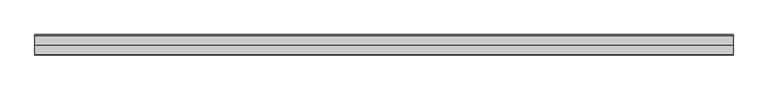
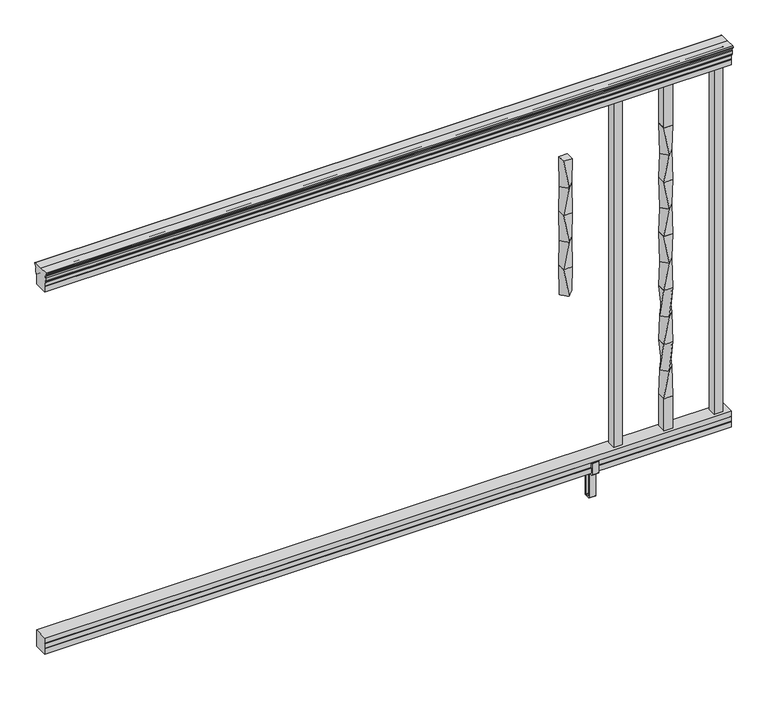
"""IFC4 building model written with IfcOpenShell, lengths in millimetres: railing geometry."""

from ifc_helpers import new_model, si_unit, frame, origin, place, context, project, spatial, polyline, circle_curve, outline, extrude, faceted_brep, source, transform, mapped, element, save
from ifc_brep_helpers import plane_surface, cylinder_surface, revolved_surface, spline_surface, advanced_brep


def railing_d81362e7(model_context):
    return source(origin(), model_context, "Body", "SolidModel", [
        advanced_brep(
        [(14131.8060044, -60567.3992427, 938.4043297), (14131.8060044, -60567.3992427, 940.292412), (14131.8060044, -60568.529429, 941.8546695), (14131.8060044, -60568.529429, 949.0726458), (14131.8060044, -60567.8801726, 951.5060812), (14131.8060044, -60570.3801726, 955.8362083), (14131.8060044, -60571.7895151, 957.5157972), (14131.8060044, -60572.1914141, 958.6205318), (14131.8060044, -60572.191414, 959.9608158), (14131.8060044, -60570.6379668, 961.514263), (14131.8060044, -60549.966414, 961.514263), (14131.8060044, -60529.2948612, 961.514263), (14131.8060044, -60527.741414, 959.9608158), (14131.8060044, -60527.741414, 958.6205318), (14131.8060044, -60528.1433129, 957.5157972), (14131.8060044, -60529.5526554, 955.8362083), (14131.8060044, -60532.0526554, 951.5060812), (14131.8060044, -60531.403399, 949.0726458), (14131.8060044, -60531.403399, 941.8546695), (14131.8060044, -60532.5335853, 940.292412), (14131.8060044, -60532.5335853, 938.4043297), (14131.8060044, -60535.107414, 938.4043297), (14131.8060044, -60535.107414, 927.9048283), (14131.8060044, -60534.091414, 926.8888283), (14131.8060044, -60534.091414, 914.4), (14131.8060044, -60565.841414, 914.4), (14131.8060044, -60565.841414, 926.731013), (14131.8060044, -60564.825414, 927.747013), (14131.8060044, -60564.825414, 938.4043297), (15655.8060044, -60567.3992427, 938.4043297), (15655.8060044, -60564.825414, 938.4043297), (15655.8060044, -60564.825414, 927.747013), (15655.8060044, -60565.841414, 926.731013), (15655.8060044, -60565.841414, 914.4), (15655.8060044, -60534.091414, 914.4), (15655.8060044, -60534.091414, 926.8888283), (15655.8060044, -60535.107414, 927.9048283), (15655.8060044, -60535.107414, 938.4043297), (15655.8060044, -60532.5335853, 938.4043297), (15655.8060044, -60532.5335853, 940.292412), (15655.8060044, -60531.403399, 941.8546695), (15655.8060044, -60531.403399, 949.0726458), (15655.8060044, -60532.0526554, 951.5060812), (15655.8060044, -60529.5526554, 955.8362083), (15655.8060044, -60528.1433129, 957.5157972), (15655.8060044, -60527.7414139, 958.6205318), (15655.8060044, -60527.741414, 959.9608158), (15655.8060044, -60529.2948612, 961.514263), (15655.8060044, -60549.966414, 961.514263), (15655.8060044, -60570.6379668, 961.514263), (15655.8060044, -60572.191414, 959.9608158), (15655.8060044, -60572.191414, 958.6205318), (15655.8060044, -60571.7895151, 957.5157972), (15655.8060044, -60570.3801726, 955.8362083), (15655.8060044, -60567.8801726, 951.5060812), (15655.8060044, -60568.529429, 949.0726458), (15655.8060044, -60568.529429, 941.8546695), (15655.8060044, -60567.3992427, 940.292412)],
        [
            (0, 1),
            (1, 2, circle_curve(frame((14131.8060044, -60561.0844895, 946.0506383), z_axis=(-1.0, 0.0, 0.0), x_axis=(0.0, 1.0, 0.0)), 8.545951)),
            (2, 3, circle_curve(frame((14131.8060044, -60561.5215524, 945.4636577), z_axis=(-1.0, 0.0, 0.0), x_axis=(0.0, 1.0, 0.0)), 7.882584)),
            (3, 4, circle_curve(frame((14131.8060044, -60572.0348766, 951.3112527), z_axis=(1.0, 0.0, 0.0), x_axis=(0.0, 1.0, 0.0)), 4.1592695)),
            (4, 5, circle_curve(frame((14131.8060044, -60573.3221831, 951.2508864), z_axis=(1.0, 0.0, 0.0), x_axis=(0.0, 1.0, 0.0)), 5.4479907)),
            (5, 6, circle_curve(frame((14131.8060044, -60572.0890247, 955.833395), z_axis=(1.0, 0.0, 0.0), x_axis=(0.0, 1.0, 0.0)), 1.7088543)),
            (6, 7, circle_curve(frame((14131.8060044, -60570.4721246, 958.6205318), z_axis=(-1.0, 0.0, 0.0), x_axis=(0.0, 1.0, 0.0)), 1.7192895)),
            (7, 8),
            (8, 9, circle_curve(frame((14131.8060044, -60570.6379668, 959.9608158), z_axis=(-1.0, 0.0, 0.0), x_axis=(0.0, 1.0, 0.0)), 1.5534472)),
            (9, 10),
            (10, 11),
            (11, 12, circle_curve(frame((14131.8060044, -60529.2948612, 959.9608158), z_axis=(-1.0, 0.0, 0.0), x_axis=(0.0, -1.0, 0.0)), 1.5534472)),
            (12, 13),
            (13, 14, circle_curve(frame((14131.8060044, -60529.4607034, 958.6205318), z_axis=(-1.0, 0.0, 0.0), x_axis=(0.0, -1.0, 0.0)), 1.7192895)),
            (14, 15, circle_curve(frame((14131.8060044, -60527.8438033, 955.833395), z_axis=(1.0, 0.0, 0.0), x_axis=(0.0, -1.0, 0.0)), 1.7088543)),
            (15, 16, circle_curve(frame((14131.8060044, -60526.6106449, 951.2508864), z_axis=(1.0, 0.0, 0.0), x_axis=(0.0, -1.0, 0.0)), 5.4479907)),
            (16, 17, circle_curve(frame((14131.8060044, -60527.8979515, 951.3112527), z_axis=(1.0, 0.0, 0.0), x_axis=(0.0, -1.0, 0.0)), 4.1592695)),
            (17, 18, circle_curve(frame((14131.8060044, -60538.4112756, 945.4636577), z_axis=(-1.0, 0.0, 0.0), x_axis=(0.0, -1.0, 0.0)), 7.882584)),
            (18, 19, circle_curve(frame((14131.8060044, -60538.8483386, 946.0506383), z_axis=(-1.0, 0.0, 0.0), x_axis=(0.0, -1.0, 0.0)), 8.545951)),
            (19, 20),
            (20, 21, circle_curve(frame((14131.8060044, -60533.8204996, 938.4043297), z_axis=(-1.0, 0.0, 0.0), x_axis=(0.0, -1.0, 0.0)), 1.2869144)),
            (21, 22),
            (22, 23),
            (23, 24),
            (24, 25),
            (25, 26),
            (26, 27),
            (27, 28),
            (28, 0, circle_curve(frame((14131.8060044, -60566.1123284, 938.4043297), z_axis=(-1.0, 0.0, 0.0), x_axis=(0.0, 1.0, 0.0)), 1.2869144)),
            (29, 30, circle_curve(frame((15655.8060044, -60566.1123284, 938.4043297), z_axis=(1.0, 0.0, 0.0), x_axis=(0.0, 1.0, 0.0)), 1.2869144)),
            (30, 31),
            (31, 32),
            (32, 33),
            (33, 34),
            (34, 35),
            (35, 36),
            (36, 37),
            (37, 38, circle_curve(frame((15655.8060044, -60533.8204996, 938.4043297), z_axis=(1.0, 0.0, 0.0), x_axis=(0.0, -1.0, 0.0)), 1.2869144)),
            (38, 39),
            (39, 40, circle_curve(frame((15655.8060044, -60538.8483386, 946.0506383), z_axis=(1.0, 0.0, 0.0), x_axis=(0.0, -1.0, 0.0)), 8.545951)),
            (40, 41, circle_curve(frame((15655.8060044, -60538.4112756, 945.4636577), z_axis=(1.0, 0.0, 0.0), x_axis=(0.0, -1.0, 0.0)), 7.882584)),
            (41, 42, circle_curve(frame((15655.8060044, -60527.8979515, 951.3112527), z_axis=(-1.0, 0.0, 0.0), x_axis=(0.0, -1.0, 0.0)), 4.1592695)),
            (42, 43, circle_curve(frame((15655.8060044, -60526.6106449, 951.2508864), z_axis=(-1.0, 0.0, 0.0), x_axis=(0.0, -1.0, 0.0)), 5.4479907)),
            (43, 44, circle_curve(frame((15655.8060044, -60527.8438033, 955.833395), z_axis=(-1.0, 0.0, 0.0), x_axis=(0.0, -1.0, 0.0)), 1.7088543)),
            (44, 45, circle_curve(frame((15655.8060044, -60529.4607034, 958.6205318), z_axis=(1.0, 0.0, 0.0), x_axis=(0.0, -1.0, 0.0)), 1.7192895)),
            (45, 46),
            (46, 47, circle_curve(frame((15655.8060044, -60529.2948612, 959.9608158), z_axis=(1.0, 0.0, 0.0), x_axis=(0.0, -1.0, 0.0)), 1.5534472)),
            (47, 48),
            (48, 49),
            (49, 50, circle_curve(frame((15655.8060044, -60570.6379668, 959.9608158), z_axis=(1.0, 0.0, 0.0), x_axis=(0.0, 1.0, 0.0)), 1.5534472)),
            (50, 51),
            (51, 52, circle_curve(frame((15655.8060044, -60570.4721246, 958.6205318), z_axis=(1.0, 0.0, 0.0), x_axis=(0.0, 1.0, 0.0)), 1.7192895)),
            (52, 53, circle_curve(frame((15655.8060044, -60572.0890247, 955.833395), z_axis=(-1.0, 0.0, 0.0), x_axis=(0.0, 1.0, 0.0)), 1.7088543)),
            (53, 54, circle_curve(frame((15655.8060044, -60573.3221831, 951.2508864), z_axis=(-1.0, 0.0, 0.0), x_axis=(0.0, 1.0, 0.0)), 5.4479907)),
            (54, 55, circle_curve(frame((15655.8060044, -60572.0348766, 951.3112527), z_axis=(-1.0, 0.0, 0.0), x_axis=(0.0, 1.0, 0.0)), 4.1592695)),
            (55, 56, circle_curve(frame((15655.8060044, -60561.5215524, 945.4636577), z_axis=(1.0, 0.0, 0.0), x_axis=(0.0, 1.0, 0.0)), 7.882584)),
            (56, 57, circle_curve(frame((15655.8060044, -60561.0844895, 946.0506383), z_axis=(1.0, 0.0, 0.0), x_axis=(0.0, 1.0, 0.0)), 8.545951)),
            (57, 29),
            (28, 30),
            (29, 0),
            (27, 31),
            (26, 32),
            (25, 33),
            (24, 34),
            (23, 35),
            (22, 36),
            (21, 37),
            (20, 38),
            (19, 39),
            (18, 40),
            (17, 41),
            (16, 42),
            (15, 43),
            (14, 44),
            (13, 45),
            (12, 46),
            (11, 47),
            (10, 48),
            (9, 49),
            (8, 50),
            (7, 51),
            (6, 52),
            (5, 53),
            (4, 54),
            (3, 55),
            (2, 56),
            (1, 57),
        ],
        [
            plane_surface(frame((14131.8060044, -60549.966414, 914.4), z_axis=(-1.0, 0.0, 0.0), x_axis=(0.0, 1.0, 0.0))),
            plane_surface(frame((15655.8060044, -60549.966414, 914.4), z_axis=(1.0, 0.0, 0.0), x_axis=(0.0, 1.0, 0.0))),
            cylinder_surface(frame((14131.8060044, -60566.1123284, 938.4043297), z_axis=(-1.0, 0.0, 0.0), x_axis=(0.0, 1.0, 0.0)), 1.2869144),
            plane_surface(frame((14131.8060044, -60564.825414, 927.747013), z_axis=(0.0, -1.0, 0.0), x_axis=(1.0, 0.0, 0.0))),
            plane_surface(frame((14131.8060044, -60565.841414, 926.731013), z_axis=(0.0, -0.7071067811865395, 0.7071067811865556), x_axis=(1.0, 0.0, 0.0))),
            plane_surface(frame((14131.8060044, -60565.841414, 914.4), z_axis=(0.0, -1.0, 0.0), x_axis=(1.0, 0.0, 0.0))),
            plane_surface(frame((14131.8060044, -60534.091414, 914.4), z_axis=(0.0, 0.0, -1.0), x_axis=(1.0, 0.0, 0.0))),
            plane_surface(frame((14131.8060044, -60534.091414, 926.8888283), z_axis=(0.0, 1.0, 0.0), x_axis=(1.0, 0.0, 0.0))),
            plane_surface(frame((14131.8060044, -60535.107414, 927.9048283), z_axis=(0.0, 0.7071067811865432, 0.707106781186552), x_axis=(1.0, 0.0, 0.0))),
            plane_surface(frame((14131.8060044, -60535.107414, 938.4043297), z_axis=(0.0, 1.0, 0.0), x_axis=(1.0, 0.0, 0.0))),
            cylinder_surface(frame((14131.8060044, -60533.8204996, 938.4043297), z_axis=(-1.0, 0.0, 0.0), x_axis=(0.0, -1.0, 0.0)), 1.2869144),
            plane_surface(frame((14131.8060044, -60532.5335853, 940.292412), z_axis=(0.0, 1.0, 0.0), x_axis=(1.0, 0.0, 0.0))),
            cylinder_surface(frame((14131.8060044, -60538.8483386, 946.0506383), z_axis=(-1.0, 0.0, 0.0), x_axis=(0.0, -1.0, 0.0)), 8.545951),
            cylinder_surface(frame((14131.8060044, -60538.4112756, 945.4636577), z_axis=(-1.0, 0.0, 0.0), x_axis=(0.0, -1.0, 0.0)), 7.882584),
            revolved_surface(polyline([(15655.8060044, -60532.057221, 951.3112527), (14131.8060044, -60532.057221, 951.3112527)]), (14131.8060044, -60527.8979515, 951.3112527), (1.0, 0.0, 0.0)),
            revolved_surface(polyline([(15655.8060044, -60532.0586356, 951.2508864), (14131.8060044, -60532.0586356, 951.2508864)]), (14131.8060044, -60526.6106449, 951.2508864), (1.0, 0.0, 0.0)),
            revolved_surface(polyline([(15655.8060044, -60529.5526576, 955.833395), (14131.8060044, -60529.5526576, 955.833395)]), (14131.8060044, -60527.8438033, 955.833395), (1.0, 0.0, 0.0)),
            cylinder_surface(frame((14131.8060044, -60529.4607034, 958.6205318), z_axis=(-1.0, 0.0, 0.0), x_axis=(0.0, -1.0, 0.0)), 1.7192895),
            plane_surface(frame((14131.8060044, -60527.741414, 959.9608158), z_axis=(0.0, 1.0, 0.0), x_axis=(1.0, 0.0, 0.0))),
            cylinder_surface(frame((14131.8060044, -60529.2948612, 959.9608158), z_axis=(-1.0, 0.0, 0.0), x_axis=(0.0, -1.0, 0.0)), 1.5534472),
            plane_surface(frame((14131.8060044, -60549.966414, 961.514263), z_axis=(0.0, 0.0, 1.0), x_axis=(1.0, 0.0, 0.0))),
            plane_surface(frame((14131.8060044, -60570.6379668, 961.514263), z_axis=(0.0, 0.0, 1.0), x_axis=(1.0, 0.0, 0.0))),
            cylinder_surface(frame((14131.8060044, -60570.6379668, 959.9608158), z_axis=(-1.0, 0.0, 0.0), x_axis=(0.0, 1.0, 0.0)), 1.5534472),
            plane_surface(frame((14131.8060044, -60572.191414, 958.6205318), z_axis=(0.0, -1.0, 0.0), x_axis=(1.0, 0.0, 0.0))),
            cylinder_surface(frame((14131.8060044, -60570.4721246, 958.6205318), z_axis=(-1.0, 0.0, 0.0), x_axis=(0.0, 1.0, 0.0)), 1.7192895),
            revolved_surface(polyline([(15655.8060044, -60570.3801704, 955.833395), (14131.8060044, -60570.3801704, 955.833395)]), (14131.8060044, -60572.0890247, 955.833395), (1.0, 0.0, 0.0)),
            revolved_surface(polyline([(15655.8060044, -60567.8741924, 951.2508864), (14131.8060044, -60567.8741924, 951.2508864)]), (14131.8060044, -60573.3221831, 951.2508864), (1.0, 0.0, 0.0)),
            revolved_surface(polyline([(15655.8060044, -60567.8756071, 951.3112527), (14131.8060044, -60567.8756071, 951.3112527)]), (14131.8060044, -60572.0348766, 951.3112527), (1.0, 0.0, 0.0)),
            cylinder_surface(frame((14131.8060044, -60561.5215524, 945.4636577), z_axis=(-1.0, 0.0, 0.0), x_axis=(0.0, 1.0, 0.0)), 7.882584),
            cylinder_surface(frame((14131.8060044, -60561.0844895, 946.0506383), z_axis=(-1.0, 0.0, 0.0), x_axis=(0.0, 1.0, 0.0)), 8.545951),
            plane_surface(frame((14131.8060044, -60567.3992427, 938.4043297), z_axis=(0.0, -1.0, 0.0), x_axis=(1.0, 0.0, 0.0))),
        ],
        [
            (0, [[1, 2, 3, 4, 5, 6, 7, 8, 9, 10, 11, 12, 13, 14, 15, 16, 17, 18, 19, 20, 21, 22, 23, 24, 25, 26, 27, 28, 29]]),
            (1, [[30, 31, 32, 33, 34, 35, 36, 37, 38, 39, 40, 41, 42, 43, 44, 45, 46, 47, 48, 49, 50, 51, 52, 53, 54, 55, 56, 57, 58]]),
            (2, [[-29, 59, -30, 60]]),
            (3, [[-28, 61, -31, -59]]),
            (4, [[-27, 62, -32, -61]]),
            (5, [[-26, 63, -33, -62]]),
            (6, [[-25, 64, -34, -63]]),
            (7, [[-24, 65, -35, -64]]),
            (8, [[-23, 66, -36, -65]]),
            (9, [[-22, 67, -37, -66]]),
            (10, [[-21, 68, -38, -67]]),
            (11, [[-20, 69, -39, -68]]),
            (12, [[-19, 70, -40, -69]]),
            (13, [[-18, 71, -41, -70]]),
            (14, [[-17, 72, -42, -71]]),
            (15, [[-16, 73, -43, -72]]),
            (16, [[-15, 74, -44, -73]]),
            (17, [[-14, 75, -45, -74]]),
            (18, [[-13, 76, -46, -75]]),
            (19, [[-12, 77, -47, -76]]),
            (20, [[-11, 78, -48, -77]]),
            (21, [[-10, 79, -49, -78]]),
            (22, [[-9, 80, -50, -79]]),
            (23, [[-8, 81, -51, -80]]),
            (24, [[-7, 82, -52, -81]]),
            (25, [[-6, 83, -53, -82]]),
            (26, [[-5, 84, -54, -83]]),
            (27, [[-4, 85, -55, -84]]),
            (28, [[-3, 86, -56, -85]]),
            (29, [[-2, 87, -57, -86]]),
            (30, [[-1, -60, -58, -87]]),
        ],
    ),
        faceted_brep([(14131.8060044, -60565.8789009, 76.0541976), (14131.8060044, -60564.8629009, 77.3546183), (14131.8060044, -60564.8629009, 87.7141717), (14131.8060044, -60565.8789009, 89.0624492), (14131.8060044, -60565.8789009, 101.5958781), (14131.8060044, -60534.1289009, 101.5958781), (14131.8060044, -60534.1289009, 89.0458024), (14131.8060044, -60535.1449009, 87.6975248), (14131.8060044, -60535.1449009, 77.3858283), (14131.8060044, -60534.1289009, 76.0375508), (14131.8060044, -60534.1289009, 63.5), (14131.8060044, -60565.8789009, 63.5), (15655.8060044, -60565.8789009, 76.0541976), (15655.8060044, -60565.8789009, 63.5), (15655.8060044, -60534.1289009, 63.5), (15655.8060044, -60534.1289009, 76.0375508), (15655.8060044, -60535.1449009, 77.3858283), (15655.8060044, -60535.1449009, 87.6975248), (15655.8060044, -60534.1289009, 89.0458024), (15655.8060044, -60534.1289009, 101.5958781), (15655.8060044, -60565.8789009, 101.5958781), (15655.8060044, -60565.8789009, 89.0624492), (15655.8060044, -60564.8629009, 87.7141717), (15655.8060044, -60564.8629009, 77.3546183)], [[[0, 1, 2, 3, 4, 5, 6, 7, 8, 9, 10, 11]], [[12, 13, 14, 15, 16, 17, 18, 19, 20, 21, 22, 23]], [[0, 11, 13, 12]], [[11, 10, 14, 13]], [[10, 9, 15, 14]], [[9, 8, 16, 15]], [[8, 7, 17, 16]], [[7, 6, 18, 17]], [[6, 5, 19, 18]], [[5, 4, 20, 19]], [[4, 3, 21, 20]], [[3, 2, 22, 21]], [[2, 1, 23, 22]], [[1, 0, 12, 23]]]),
        extrude(outline(polyline([(15620.8810044, -60559.491414), (15620.8810044, -60540.441414), (15639.9310044, -60540.441414), (15639.9310044, -60559.491414), (15620.8810044, -60559.491414)]), holes=[polyline([(15621.2778794, -60559.094539), (15639.5341294, -60559.094539), (15639.5341294, -60540.838289), (15621.2778794, -60540.838289), (15621.2778794, -60559.094539)])]), frame((0.0, 0.0, 101.5958781), z_axis=(0.0, 0.0, 1.0), x_axis=(1.0, 0.0, 0.0)), (0.0, 0.0, 1.0), 812.8041219),
        advanced_brep(
        [(15528.6790044, -60559.491414, 812.7958781), (15528.6790044, -60540.441414, 812.7958781), (15509.6290044, -60540.441414, 812.7958781), (15509.6290044, -60559.491414, 812.7958781), (15532.6243886, -60549.966414, 749.2958781), (15519.1540044, -60563.4367982, 749.2958781), (15505.6836203, -60549.966414, 749.2958781), (15519.1540044, -60536.4960298, 749.2958781)],
        [
            (0, 1),
            (1, 2),
            (2, 3),
            (3, 0),
            (4, 5),
            (5, 6),
            (6, 7),
            (7, 4),
            (4, 0),
            (3, 5),
            (2, 6),
            (1, 7),
        ],
        [
            plane_surface(frame((15519.1540044, -60549.966414, 812.7958781), z_axis=(0.0, 0.0, 1.0), x_axis=(0.0, 1.0, 0.0))),
            plane_surface(frame((15519.1540044, -60549.966414, 749.2958781), z_axis=(0.0, 0.0, -1.0), x_axis=(0.0, 1.0, 0.0))),
            spline_surface(1, 1, [[(15532.6243886, -60549.966414, 749.2958781), (15519.1540044, -60563.4367982, 749.2958781)], [(15528.6790044, -60559.491414, 812.7958781), (15509.6290044, -60559.491414, 812.7958781)]], [2, 2], [2, 2], [0.0, 1.0], [0.0, 1.0]),
            spline_surface(1, 1, [[(15519.1540044, -60563.4367982, 749.2958781), (15505.6836203, -60549.966414, 749.2958781)], [(15509.6290044, -60559.491414, 812.7958781), (15509.6290044, -60540.441414, 812.7958781)]], [2, 2], [2, 2], [0.0, 1.0], [0.0, 1.0]),
            spline_surface(1, 1, [[(15505.6836203, -60549.966414, 749.2958781), (15519.1540044, -60536.4960298, 749.2958781)], [(15509.6290044, -60540.441414, 812.7958781), (15528.6790044, -60540.441414, 812.7958781)]], [2, 2], [2, 2], [0.0, 1.0], [0.0, 1.0]),
            spline_surface(1, 1, [[(15519.1540044, -60536.4960298, 749.2958781), (15532.6243886, -60549.966414, 749.2958781)], [(15528.6790044, -60540.441414, 812.7958781), (15528.6790044, -60559.491414, 812.7958781)]], [2, 2], [2, 2], [0.0, 1.0], [0.0, 1.0]),
        ],
        [
            (0, [[1, 2, 3, 4]]),
            (1, [[5, 6, 7, 8]]),
            (2, [[9, -4, 10, -5]]),
            (3, [[-10, -3, 11, -6]]),
            (4, [[-11, -2, 12, -7]]),
            (5, [[-12, -1, -9, -8]]),
        ],
    ),
        advanced_brep(
        [(15519.1540044, -60563.4367982, 749.2958781), (15532.6243886, -60549.966414, 749.2958781), (15519.1540044, -60536.4960298, 749.2958781), (15505.6836203, -60549.966414, 749.2958781), (15509.6290044, -60559.491414, 685.7958781), (15509.6290044, -60540.441414, 685.7958781), (15528.6790044, -60540.441414, 685.7958781), (15528.6790044, -60559.491414, 685.7958781)],
        [
            (0, 1),
            (1, 2),
            (2, 3),
            (3, 0),
            (4, 5),
            (5, 6),
            (6, 7),
            (7, 4),
            (4, 0),
            (3, 5),
            (2, 6),
            (1, 7),
        ],
        [
            plane_surface(frame((15519.1540044, -60549.966414, 749.2958781), z_axis=(0.0, 0.0, 1.0), x_axis=(-0.7071067811865477, -0.7071067811865474, 0.0))),
            plane_surface(frame((15519.1540044, -60549.966414, 685.7958781), z_axis=(0.0, 0.0, -1.0), x_axis=(-0.7071067811865477, -0.7071067811865474, 0.0))),
            spline_surface(1, 1, [[(15509.6290044, -60559.491414, 685.7958781), (15509.6290044, -60540.441414, 685.7958781)], [(15519.1540044, -60563.4367982, 749.2958781), (15505.6836203, -60549.966414, 749.2958781)]], [2, 2], [2, 2], [0.0, 1.0], [0.0, 1.0]),
            spline_surface(1, 1, [[(15509.6290044, -60540.441414, 685.7958781), (15528.6790044, -60540.441414, 685.7958781)], [(15505.6836203, -60549.966414, 749.2958781), (15519.1540044, -60536.4960298, 749.2958781)]], [2, 2], [2, 2], [0.0, 1.0], [0.0, 1.0]),
            spline_surface(1, 1, [[(15528.6790044, -60540.441414, 685.7958781), (15528.6790044, -60559.491414, 685.7958781)], [(15519.1540044, -60536.4960298, 749.2958781), (15532.6243886, -60549.966414, 749.2958781)]], [2, 2], [2, 2], [0.0, 1.0], [0.0, 1.0]),
            spline_surface(1, 1, [[(15528.6790044, -60559.491414, 685.7958781), (15509.6290044, -60559.491414, 685.7958781)], [(15532.6243886, -60549.966414, 749.2958781), (15519.1540044, -60563.4367982, 749.2958781)]], [2, 2], [2, 2], [0.0, 1.0], [0.0, 1.0]),
        ],
        [
            (0, [[1, 2, 3, 4]]),
            (1, [[5, 6, 7, 8]]),
            (2, [[9, -4, 10, -5]]),
            (3, [[-10, -3, 11, -6]]),
            (4, [[-11, -2, 12, -7]]),
            (5, [[-12, -1, -9, -8]]),
        ],
    ),
        advanced_brep(
        [(15528.6790044, -60559.491414, 685.7958781), (15528.6790044, -60540.441414, 685.7958781), (15509.6290044, -60540.441414, 685.7958781), (15509.6290044, -60559.491414, 685.7958781), (15532.6243886, -60549.966414, 622.2958781), (15519.1540044, -60563.4367982, 622.2958781), (15505.6836203, -60549.966414, 622.2958781), (15519.1540044, -60536.4960298, 622.2958781)],
        [
            (0, 1),
            (1, 2),
            (2, 3),
            (3, 0),
            (4, 5),
            (5, 6),
            (6, 7),
            (7, 4),
            (4, 0),
            (3, 5),
            (2, 6),
            (1, 7),
        ],
        [
            plane_surface(frame((15519.1540044, -60549.966414, 685.7958781), z_axis=(0.0, 0.0, 1.0), x_axis=(0.0, 1.0, 0.0))),
            plane_surface(frame((15519.1540044, -60549.966414, 622.2958781), z_axis=(0.0, 0.0, -1.0), x_axis=(0.0, 1.0, 0.0))),
            spline_surface(1, 1, [[(15532.6243886, -60549.966414, 622.2958781), (15519.1540044, -60563.4367982, 622.2958781)], [(15528.6790044, -60559.491414, 685.7958781), (15509.6290044, -60559.491414, 685.7958781)]], [2, 2], [2, 2], [0.0, 1.0], [0.0, 1.0]),
            spline_surface(1, 1, [[(15519.1540044, -60563.4367982, 622.2958781), (15505.6836203, -60549.966414, 622.2958781)], [(15509.6290044, -60559.491414, 685.7958781), (15509.6290044, -60540.441414, 685.7958781)]], [2, 2], [2, 2], [0.0, 1.0], [0.0, 1.0]),
            spline_surface(1, 1, [[(15505.6836203, -60549.966414, 622.2958781), (15519.1540044, -60536.4960298, 622.2958781)], [(15509.6290044, -60540.441414, 685.7958781), (15528.6790044, -60540.441414, 685.7958781)]], [2, 2], [2, 2], [0.0, 1.0], [0.0, 1.0]),
            spline_surface(1, 1, [[(15519.1540044, -60536.4960298, 622.2958781), (15532.6243886, -60549.966414, 622.2958781)], [(15528.6790044, -60540.441414, 685.7958781), (15528.6790044, -60559.491414, 685.7958781)]], [2, 2], [2, 2], [0.0, 1.0], [0.0, 1.0]),
        ],
        [
            (0, [[1, 2, 3, 4]]),
            (1, [[5, 6, 7, 8]]),
            (2, [[9, -4, 10, -5]]),
            (3, [[-10, -3, 11, -6]]),
            (4, [[-11, -2, 12, -7]]),
            (5, [[-12, -1, -9, -8]]),
        ],
    ),
        advanced_brep(
        [(15519.1540044, -60563.4367982, 622.2958781), (15532.6243886, -60549.966414, 622.2958781), (15519.1540044, -60536.4960298, 622.2958781), (15505.6836203, -60549.966414, 622.2958781), (15509.6290044, -60559.491414, 558.7958781), (15509.6290044, -60540.441414, 558.7958781), (15528.6790044, -60540.441414, 558.7958781), (15528.6790044, -60559.491414, 558.7958781)],
        [
            (0, 1),
            (1, 2),
            (2, 3),
            (3, 0),
            (4, 5),
            (5, 6),
            (6, 7),
            (7, 4),
            (4, 0),
            (3, 5),
            (2, 6),
            (1, 7),
        ],
        [
            plane_surface(frame((15519.1540044, -60549.966414, 622.2958781), z_axis=(0.0, 0.0, 1.0), x_axis=(-0.7071067811865477, -0.7071067811865475, 0.0))),
            plane_surface(frame((15519.1540044, -60549.966414, 558.7958781), z_axis=(0.0, 0.0, -1.0), x_axis=(-0.7071067811865477, -0.7071067811865475, 0.0))),
            spline_surface(1, 1, [[(15509.6290044, -60559.491414, 558.7958781), (15509.6290044, -60540.441414, 558.7958781)], [(15519.1540044, -60563.4367982, 622.2958781), (15505.6836203, -60549.966414, 622.2958781)]], [2, 2], [2, 2], [0.0, 1.0], [0.0, 1.0]),
            spline_surface(1, 1, [[(15509.6290044, -60540.441414, 558.7958781), (15528.6790044, -60540.441414, 558.7958781)], [(15505.6836203, -60549.966414, 622.2958781), (15519.1540044, -60536.4960298, 622.2958781)]], [2, 2], [2, 2], [0.0, 1.0], [0.0, 1.0]),
            spline_surface(1, 1, [[(15528.6790044, -60540.441414, 558.7958781), (15528.6790044, -60559.491414, 558.7958781)], [(15519.1540044, -60536.4960298, 622.2958781), (15532.6243886, -60549.966414, 622.2958781)]], [2, 2], [2, 2], [0.0, 1.0], [0.0, 1.0]),
            spline_surface(1, 1, [[(15528.6790044, -60559.491414, 558.7958781), (15509.6290044, -60559.491414, 558.7958781)], [(15532.6243886, -60549.966414, 622.2958781), (15519.1540044, -60563.4367982, 622.2958781)]], [2, 2], [2, 2], [0.0, 1.0], [0.0, 1.0]),
        ],
        [
            (0, [[1, 2, 3, 4]]),
            (1, [[5, 6, 7, 8]]),
            (2, [[9, -4, 10, -5]]),
            (3, [[-10, -3, 11, -6]]),
            (4, [[-11, -2, 12, -7]]),
            (5, [[-12, -1, -9, -8]]),
        ],
    ),
        advanced_brep(
        [(15528.6790044, -60559.491414, 558.7958781), (15528.6790044, -60540.441414, 558.7958781), (15509.6290044, -60540.441414, 558.7958781), (15509.6290044, -60559.491414, 558.7958781), (15532.6243886, -60549.966414, 495.2958781), (15519.1540044, -60563.4367982, 495.2958781), (15505.6836203, -60549.966414, 495.2958781), (15519.1540044, -60536.4960298, 495.2958781)],
        [
            (0, 1),
            (1, 2),
            (2, 3),
            (3, 0),
            (4, 5),
            (5, 6),
            (6, 7),
            (7, 4),
            (4, 0),
            (3, 5),
            (2, 6),
            (1, 7),
        ],
        [
            plane_surface(frame((15519.1540044, -60549.966414, 558.7958781), z_axis=(0.0, 0.0, 1.0), x_axis=(0.0, 1.0, 0.0))),
            plane_surface(frame((15519.1540044, -60549.966414, 495.2958781), z_axis=(0.0, 0.0, -1.0), x_axis=(0.0, 1.0, 0.0))),
            spline_surface(1, 1, [[(15532.6243886, -60549.966414, 495.2958781), (15519.1540044, -60563.4367982, 495.2958781)], [(15528.6790044, -60559.491414, 558.7958781), (15509.6290044, -60559.491414, 558.7958781)]], [2, 2], [2, 2], [0.0, 1.0], [0.0, 1.0]),
            spline_surface(1, 1, [[(15519.1540044, -60563.4367982, 495.2958781), (15505.6836203, -60549.966414, 495.2958781)], [(15509.6290044, -60559.491414, 558.7958781), (15509.6290044, -60540.441414, 558.7958781)]], [2, 2], [2, 2], [0.0, 1.0], [0.0, 1.0]),
            spline_surface(1, 1, [[(15505.6836203, -60549.966414, 495.2958781), (15519.1540044, -60536.4960298, 495.2958781)], [(15509.6290044, -60540.441414, 558.7958781), (15528.6790044, -60540.441414, 558.7958781)]], [2, 2], [2, 2], [0.0, 1.0], [0.0, 1.0]),
            spline_surface(1, 1, [[(15519.1540044, -60536.4960298, 495.2958781), (15532.6243886, -60549.966414, 495.2958781)], [(15528.6790044, -60540.441414, 558.7958781), (15528.6790044, -60559.491414, 558.7958781)]], [2, 2], [2, 2], [0.0, 1.0], [0.0, 1.0]),
        ],
        [
            (0, [[1, 2, 3, 4]]),
            (1, [[5, 6, 7, 8]]),
            (2, [[9, -4, 10, -5]]),
            (3, [[-10, -3, 11, -6]]),
            (4, [[-11, -2, 12, -7]]),
            (5, [[-12, -1, -9, -8]]),
        ],
    ),
        advanced_brep(
        [(15519.1540044, -60563.4367982, 495.2958781), (15532.6243886, -60549.966414, 495.2958781), (15519.1540044, -60536.4960298, 495.2958781), (15505.6836203, -60549.966414, 495.2958781), (15509.6290044, -60559.491414, 431.7958781), (15509.6290044, -60540.441414, 431.7958781), (15528.6790044, -60540.441414, 431.7958781), (15528.6790044, -60559.491414, 431.7958781)],
        [
            (0, 1),
            (1, 2),
            (2, 3),
            (3, 0),
            (4, 5),
            (5, 6),
            (6, 7),
            (7, 4),
            (4, 0),
            (3, 5),
            (2, 6),
            (1, 7),
        ],
        [
            plane_surface(frame((15519.1540044, -60549.966414, 495.2958781), z_axis=(0.0, 0.0, 1.0), x_axis=(-0.7071067811865477, -0.7071067811865474, 0.0))),
            plane_surface(frame((15519.1540044, -60549.966414, 431.7958781), z_axis=(0.0, 0.0, -1.0), x_axis=(-0.7071067811865477, -0.7071067811865474, 0.0))),
            spline_surface(1, 1, [[(15509.6290044, -60559.491414, 431.7958781), (15509.6290044, -60540.441414, 431.7958781)], [(15519.1540044, -60563.4367982, 495.2958781), (15505.6836203, -60549.966414, 495.2958781)]], [2, 2], [2, 2], [0.0, 1.0], [0.0, 1.0]),
            spline_surface(1, 1, [[(15509.6290044, -60540.441414, 431.7958781), (15528.6790044, -60540.441414, 431.7958781)], [(15505.6836203, -60549.966414, 495.2958781), (15519.1540044, -60536.4960298, 495.2958781)]], [2, 2], [2, 2], [0.0, 1.0], [0.0, 1.0]),
            spline_surface(1, 1, [[(15528.6790044, -60540.441414, 431.7958781), (15528.6790044, -60559.491414, 431.7958781)], [(15519.1540044, -60536.4960298, 495.2958781), (15532.6243886, -60549.966414, 495.2958781)]], [2, 2], [2, 2], [0.0, 1.0], [0.0, 1.0]),
            spline_surface(1, 1, [[(15528.6790044, -60559.491414, 431.7958781), (15509.6290044, -60559.491414, 431.7958781)], [(15532.6243886, -60549.966414, 495.2958781), (15519.1540044, -60563.4367982, 495.2958781)]], [2, 2], [2, 2], [0.0, 1.0], [0.0, 1.0]),
        ],
        [
            (0, [[1, 2, 3, 4]]),
            (1, [[5, 6, 7, 8]]),
            (2, [[9, -4, 10, -5]]),
            (3, [[-10, -3, 11, -6]]),
            (4, [[-11, -2, 12, -7]]),
            (5, [[-12, -1, -9, -8]]),
        ],
    ),
        advanced_brep(
        [(15509.6290044, -60559.491414, 431.7958781), (15528.6790044, -60559.491414, 431.7958781), (15528.6790044, -60540.441414, 431.7958781), (15509.6290044, -60540.441414, 431.7958781), (15505.6836203, -60549.966414, 368.2958781), (15519.1540044, -60536.4960298, 368.2958781), (15532.6243886, -60549.966414, 368.2958781), (15519.1540044, -60563.4367982, 368.2958781)],
        [
            (0, 1),
            (1, 2),
            (2, 3),
            (3, 0),
            (4, 5),
            (5, 6),
            (6, 7),
            (7, 4),
            (4, 0),
            (3, 5),
            (2, 6),
            (1, 7),
        ],
        [
            plane_surface(frame((15519.1540044, -60549.966414, 431.7958781), z_axis=(0.0, 0.0, 1.0), x_axis=(0.0, 1.0, 0.0))),
            plane_surface(frame((15519.1540044, -60549.966414, 368.2958781), z_axis=(0.0, 0.0, -1.0), x_axis=(0.0, 1.0, 0.0))),
            spline_surface(1, 1, [[(15505.6836203, -60549.966414, 368.2958781), (15519.1540044, -60536.4960298, 368.2958781)], [(15509.6290044, -60559.491414, 431.7958781), (15509.6290044, -60540.441414, 431.7958781)]], [2, 2], [2, 2], [0.0, 1.0], [0.0, 1.0]),
            spline_surface(1, 1, [[(15519.1540044, -60536.4960298, 368.2958781), (15532.6243886, -60549.966414, 368.2958781)], [(15509.6290044, -60540.441414, 431.7958781), (15528.6790044, -60540.441414, 431.7958781)]], [2, 2], [2, 2], [0.0, 1.0], [0.0, 1.0]),
            spline_surface(1, 1, [[(15532.6243886, -60549.966414, 368.2958781), (15519.1540044, -60563.4367982, 368.2958781)], [(15528.6790044, -60540.441414, 431.7958781), (15528.6790044, -60559.491414, 431.7958781)]], [2, 2], [2, 2], [0.0, 1.0], [0.0, 1.0]),
            spline_surface(1, 1, [[(15519.1540044, -60563.4367982, 368.2958781), (15505.6836203, -60549.966414, 368.2958781)], [(15528.6790044, -60559.491414, 431.7958781), (15509.6290044, -60559.491414, 431.7958781)]], [2, 2], [2, 2], [0.0, 1.0], [0.0, 1.0]),
        ],
        [
            (0, [[1, 2, 3, 4]]),
            (1, [[5, 6, 7, 8]]),
            (2, [[9, -4, 10, -5]]),
            (3, [[-10, -3, 11, -6]]),
            (4, [[-11, -2, 12, -7]]),
            (5, [[-12, -1, -9, -8]]),
        ],
    ),
        advanced_brep(
        [(15519.1540044, -60563.4367982, 368.2958781), (15532.6243886, -60549.966414, 368.2958781), (15519.1540044, -60536.4960298, 368.2958781), (15505.6836203, -60549.966414, 368.2958781), (15509.6290044, -60559.491414, 304.7958781), (15509.6290044, -60540.441414, 304.7958781), (15528.6790044, -60540.441414, 304.7958781), (15528.6790044, -60559.491414, 304.7958781)],
        [
            (0, 1),
            (1, 2),
            (2, 3),
            (3, 0),
            (4, 5),
            (5, 6),
            (6, 7),
            (7, 4),
            (4, 0),
            (3, 5),
            (2, 6),
            (1, 7),
        ],
        [
            plane_surface(frame((15519.1540044, -60549.966414, 368.2958781), z_axis=(0.0, 0.0, 1.0), x_axis=(-0.7071067811865477, -0.7071067811865475, 0.0))),
            plane_surface(frame((15519.1540044, -60549.966414, 304.7958781), z_axis=(0.0, 0.0, -1.0), x_axis=(-0.7071067811865477, -0.7071067811865475, 0.0))),
            spline_surface(1, 1, [[(15509.6290044, -60559.491414, 304.7958781), (15509.6290044, -60540.441414, 304.7958781)], [(15519.1540044, -60563.4367982, 368.2958781), (15505.6836203, -60549.966414, 368.2958781)]], [2, 2], [2, 2], [0.0, 1.0], [0.0, 1.0]),
            spline_surface(1, 1, [[(15509.6290044, -60540.441414, 304.7958781), (15528.6790044, -60540.441414, 304.7958781)], [(15505.6836203, -60549.966414, 368.2958781), (15519.1540044, -60536.4960298, 368.2958781)]], [2, 2], [2, 2], [0.0, 1.0], [0.0, 1.0]),
            spline_surface(1, 1, [[(15528.6790044, -60540.441414, 304.7958781), (15528.6790044, -60559.491414, 304.7958781)], [(15519.1540044, -60536.4960298, 368.2958781), (15532.6243886, -60549.966414, 368.2958781)]], [2, 2], [2, 2], [0.0, 1.0], [0.0, 1.0]),
            spline_surface(1, 1, [[(15528.6790044, -60559.491414, 304.7958781), (15509.6290044, -60559.491414, 304.7958781)], [(15532.6243886, -60549.966414, 368.2958781), (15519.1540044, -60563.4367982, 368.2958781)]], [2, 2], [2, 2], [0.0, 1.0], [0.0, 1.0]),
        ],
        [
            (0, [[1, 2, 3, 4]]),
            (1, [[5, 6, 7, 8]]),
            (2, [[9, -4, 10, -5]]),
            (3, [[-10, -3, 11, -6]]),
            (4, [[-11, -2, 12, -7]]),
            (5, [[-12, -1, -9, -8]]),
        ],
    ),
        advanced_brep(
        [(15509.6290044, -60559.491414, 304.7958781), (15528.6790044, -60559.491414, 304.7958781), (15528.6790044, -60540.441414, 304.7958781), (15509.6290044, -60540.441414, 304.7958781), (15505.6836203, -60549.966414, 241.2958781), (15519.1540044, -60536.4960298, 241.2958781), (15532.6243886, -60549.966414, 241.2958781), (15519.1540044, -60563.4367982, 241.2958781)],
        [
            (0, 1),
            (1, 2),
            (2, 3),
            (3, 0),
            (4, 5),
            (5, 6),
            (6, 7),
            (7, 4),
            (4, 0),
            (3, 5),
            (2, 6),
            (1, 7),
        ],
        [
            plane_surface(frame((15519.1540044, -60549.966414, 304.7958781), z_axis=(0.0, 0.0, 1.0), x_axis=(0.0, 1.0, 0.0))),
            plane_surface(frame((15519.1540044, -60549.966414, 241.2958781), z_axis=(0.0, 0.0, -1.0), x_axis=(0.0, 1.0, 0.0))),
            spline_surface(1, 1, [[(15505.6836203, -60549.966414, 241.2958781), (15519.1540044, -60536.4960298, 241.2958781)], [(15509.6290044, -60559.491414, 304.7958781), (15509.6290044, -60540.441414, 304.7958781)]], [2, 2], [2, 2], [0.0, 1.0], [0.0, 1.0]),
            spline_surface(1, 1, [[(15519.1540044, -60536.4960298, 241.2958781), (15532.6243886, -60549.966414, 241.2958781)], [(15509.6290044, -60540.441414, 304.7958781), (15528.6790044, -60540.441414, 304.7958781)]], [2, 2], [2, 2], [0.0, 1.0], [0.0, 1.0]),
            spline_surface(1, 1, [[(15532.6243886, -60549.966414, 241.2958781), (15519.1540044, -60563.4367982, 241.2958781)], [(15528.6790044, -60540.441414, 304.7958781), (15528.6790044, -60559.491414, 304.7958781)]], [2, 2], [2, 2], [0.0, 1.0], [0.0, 1.0]),
            spline_surface(1, 1, [[(15519.1540044, -60563.4367982, 241.2958781), (15505.6836203, -60549.966414, 241.2958781)], [(15528.6790044, -60559.491414, 304.7958781), (15509.6290044, -60559.491414, 304.7958781)]], [2, 2], [2, 2], [0.0, 1.0], [0.0, 1.0]),
        ],
        [
            (0, [[1, 2, 3, 4]]),
            (1, [[5, 6, 7, 8]]),
            (2, [[9, -4, 10, -5]]),
            (3, [[-10, -3, 11, -6]]),
            (4, [[-11, -2, 12, -7]]),
            (5, [[-12, -1, -9, -8]]),
        ],
    ),
        advanced_brep(
        [(15519.1540044, -60563.4367982, 241.2958781), (15532.6243886, -60549.966414, 241.2958781), (15519.1540044, -60536.4960298, 241.2958781), (15505.6836203, -60549.966414, 241.2958781), (15509.6290044, -60559.491414, 177.7958781), (15509.6290044, -60540.441414, 177.7958781), (15528.6790044, -60540.441414, 177.7958781), (15528.6790044, -60559.491414, 177.7958781)],
        [
            (0, 1),
            (1, 2),
            (2, 3),
            (3, 0),
            (4, 5),
            (5, 6),
            (6, 7),
            (7, 4),
            (4, 0),
            (3, 5),
            (2, 6),
            (1, 7),
        ],
        [
            plane_surface(frame((15519.1540044, -60549.966414, 241.2958781), z_axis=(0.0, 0.0, 1.0), x_axis=(-0.7071067811865478, 0.7071067811865474, 0.0))),
            plane_surface(frame((15519.1540044, -60549.966414, 177.7958781), z_axis=(0.0, 0.0, -1.0), x_axis=(-0.7071067811865478, 0.7071067811865474, 0.0))),
            spline_surface(1, 1, [[(15509.6290044, -60559.491414, 177.7958781), (15509.6290044, -60540.441414, 177.7958781)], [(15519.1540044, -60563.4367982, 241.2958781), (15505.6836203, -60549.966414, 241.2958781)]], [2, 2], [2, 2], [0.0, 1.0], [0.0, 1.0]),
            spline_surface(1, 1, [[(15509.6290044, -60540.441414, 177.7958781), (15528.6790044, -60540.441414, 177.7958781)], [(15505.6836203, -60549.966414, 241.2958781), (15519.1540044, -60536.4960298, 241.2958781)]], [2, 2], [2, 2], [0.0, 1.0], [0.0, 1.0]),
            spline_surface(1, 1, [[(15528.6790044, -60540.441414, 177.7958781), (15528.6790044, -60559.491414, 177.7958781)], [(15519.1540044, -60536.4960298, 241.2958781), (15532.6243886, -60549.966414, 241.2958781)]], [2, 2], [2, 2], [0.0, 1.0], [0.0, 1.0]),
            spline_surface(1, 1, [[(15528.6790044, -60559.491414, 177.7958781), (15509.6290044, -60559.491414, 177.7958781)], [(15532.6243886, -60549.966414, 241.2958781), (15519.1540044, -60563.4367982, 241.2958781)]], [2, 2], [2, 2], [0.0, 1.0], [0.0, 1.0]),
        ],
        [
            (0, [[1, 2, 3, 4]]),
            (1, [[5, 6, 7, 8]]),
            (2, [[9, -4, 10, -5]]),
            (3, [[-10, -3, 11, -6]]),
            (4, [[-11, -2, 12, -7]]),
            (5, [[-12, -1, -9, -8]]),
        ],
    ),
        extrude(outline(polyline([(15509.6290044, -60559.491414), (15509.6290044, -60540.441414), (15528.6790044, -60540.441414), (15528.6790044, -60559.491414), (15509.6290044, -60559.491414)])), frame((0.0, 0.0, 812.7958781), z_axis=(0.0, 0.0, 1.0), x_axis=(1.0, 0.0, 0.0)), (0.0, 0.0, 1.0), 101.6041219),
        extrude(outline(polyline([(15509.6290044, -60559.491414), (15509.6290044, -60540.441414), (15528.6790044, -60540.441414), (15528.6790044, -60559.491414), (15509.6290044, -60559.491414)])), frame((0.0, 0.0, 101.5958781), z_axis=(0.0, 0.0, 1.0), x_axis=(1.0, 0.0, 0.0)), (0.0, 0.0, 1.0), 76.2),
        extrude(outline(polyline([(15398.3770044, -60559.491414), (15398.3770044, -60540.441414), (15417.4270044, -60540.441414), (15417.4270044, -60559.491414), (15398.3770044, -60559.491414)]), holes=[polyline([(15398.7738794, -60559.094539), (15417.0301294, -60559.094539), (15417.0301294, -60540.838289), (15398.7738794, -60540.838289), (15398.7738794, -60559.094539)])]), frame((0.0, 0.0, 101.5958781), z_axis=(0.0, 0.0, 1.0), x_axis=(1.0, 0.0, 0.0)), (0.0, 0.0, 1.0), 812.8041219),
        extrude(outline(polyline([(-60531.8054152, 88.7203979), (-60531.0434141, 87.9583969), (-60531.0434141, 61.4680023), (-60531.8054152, 60.7060013), (-60541.8384142, 60.7060013), (-60542.6004143, 59.9440012), (-60542.6004143, 0.7620001), (-60543.3624144, 0.0), (-60556.5704136, 0.0), (-60557.3324147, 0.762001), (-60557.3324147, 59.9440012), (-60558.0944147, 60.7060013), (-60568.1274138, 60.7060013), (-60568.8894148, 61.4680023), (-60568.8894148, 87.9583969), (-60568.1274138, 88.7203979), (-60566.0954142, 88.7203979), (-60565.0794144, 87.7043953), (-60565.0794144, 77.2686081), (-60566.0954142, 76.2526073), (-60566.0954142, 64.262001), (-60565.3334151, 63.5000019), (-60534.5994139, 63.5000019), (-60533.8374148, 64.262001), (-60533.8374148, 76.2526073), (-60534.8534146, 77.2686081), (-60534.8534146, 87.7043953), (-60533.8374148, 88.7203979), (-60531.8054152, 88.7203979)]), holes=[polyline([(-60553.3954144, 60.7060013), (-60554.1574145, 59.9440012), (-60554.1574145, 3.9370031), (-60553.3954144, 3.1750031), (-60546.5374117, 3.1750031), (-60545.7754145, 3.9370003), (-60545.7754145, 59.9440012), (-60546.5374146, 60.7060013), (-60553.3954144, 60.7060013)])]), frame((15344.9100044, 0.0, 0.0), z_axis=(1.0, 0.0, 0.0), x_axis=(0.0, 1.0, 0.0)), (0.0, 0.0, 1.0), 14.732),
        advanced_brep(
        [(15306.1750044, -60559.491414, 812.7958781), (15306.1750044, -60540.441414, 812.7958781), (15287.1250044, -60540.441414, 812.7958781), (15287.1250044, -60559.491414, 812.7958781), (15310.1203886, -60549.966414, 749.2958781), (15296.6500044, -60563.4367982, 749.2958781), (15283.1796203, -60549.966414, 749.2958781), (15296.6500044, -60536.4960298, 749.2958781)],
        [
            (0, 1),
            (1, 2),
            (2, 3),
            (3, 0),
            (4, 5),
            (5, 6),
            (6, 7),
            (7, 4),
            (4, 0),
            (3, 5),
            (2, 6),
            (1, 7),
        ],
        [
            plane_surface(frame((15296.6500044, -60549.966414, 812.7958781), z_axis=(0.0, 0.0, 1.0), x_axis=(0.0, 1.0, 0.0))),
            plane_surface(frame((15296.6500044, -60549.966414, 749.2958781), z_axis=(0.0, 0.0, -1.0), x_axis=(0.0, 1.0, 0.0))),
            spline_surface(1, 1, [[(15310.1203886, -60549.966414, 749.2958781), (15296.6500044, -60563.4367982, 749.2958781)], [(15306.1750044, -60559.491414, 812.7958781), (15287.1250044, -60559.491414, 812.7958781)]], [2, 2], [2, 2], [0.0, 1.0], [0.0, 1.0]),
            spline_surface(1, 1, [[(15296.6500044, -60563.4367982, 749.2958781), (15283.1796203, -60549.966414, 749.2958781)], [(15287.1250044, -60559.491414, 812.7958781), (15287.1250044, -60540.441414, 812.7958781)]], [2, 2], [2, 2], [0.0, 1.0], [0.0, 1.0]),
            spline_surface(1, 1, [[(15283.1796203, -60549.966414, 749.2958781), (15296.6500044, -60536.4960298, 749.2958781)], [(15287.1250044, -60540.441414, 812.7958781), (15306.1750044, -60540.441414, 812.7958781)]], [2, 2], [2, 2], [0.0, 1.0], [0.0, 1.0]),
            spline_surface(1, 1, [[(15296.6500044, -60536.4960298, 749.2958781), (15310.1203886, -60549.966414, 749.2958781)], [(15306.1750044, -60540.441414, 812.7958781), (15306.1750044, -60559.491414, 812.7958781)]], [2, 2], [2, 2], [0.0, 1.0], [0.0, 1.0]),
        ],
        [
            (0, [[1, 2, 3, 4]]),
            (1, [[5, 6, 7, 8]]),
            (2, [[9, -4, 10, -5]]),
            (3, [[-10, -3, 11, -6]]),
            (4, [[-11, -2, 12, -7]]),
            (5, [[-12, -1, -9, -8]]),
        ],
    ),
        advanced_brep(
        [(15296.6500044, -60563.4367982, 749.2958781), (15310.1203886, -60549.966414, 749.2958781), (15296.6500044, -60536.4960298, 749.2958781), (15283.1796203, -60549.966414, 749.2958781), (15287.1250044, -60559.491414, 685.7958781), (15287.1250044, -60540.441414, 685.7958781), (15306.1750044, -60540.441414, 685.7958781), (15306.1750044, -60559.491414, 685.7958781)],
        [
            (0, 1),
            (1, 2),
            (2, 3),
            (3, 0),
            (4, 5),
            (5, 6),
            (6, 7),
            (7, 4),
            (4, 0),
            (3, 5),
            (2, 6),
            (1, 7),
        ],
        [
            plane_surface(frame((15296.6500044, -60549.966414, 749.2958781), z_axis=(0.0, 0.0, 1.0), x_axis=(-0.7071067811865477, -0.7071067811865474, 0.0))),
            plane_surface(frame((15296.6500044, -60549.966414, 685.7958781), z_axis=(0.0, 0.0, -1.0), x_axis=(-0.7071067811865477, -0.7071067811865474, 0.0))),
            spline_surface(1, 1, [[(15287.1250044, -60559.491414, 685.7958781), (15287.1250044, -60540.441414, 685.7958781)], [(15296.6500044, -60563.4367982, 749.2958781), (15283.1796203, -60549.966414, 749.2958781)]], [2, 2], [2, 2], [0.0, 1.0], [0.0, 1.0]),
            spline_surface(1, 1, [[(15287.1250044, -60540.441414, 685.7958781), (15306.1750044, -60540.441414, 685.7958781)], [(15283.1796203, -60549.966414, 749.2958781), (15296.6500044, -60536.4960298, 749.2958781)]], [2, 2], [2, 2], [0.0, 1.0], [0.0, 1.0]),
            spline_surface(1, 1, [[(15306.1750044, -60540.441414, 685.7958781), (15306.1750044, -60559.491414, 685.7958781)], [(15296.6500044, -60536.4960298, 749.2958781), (15310.1203886, -60549.966414, 749.2958781)]], [2, 2], [2, 2], [0.0, 1.0], [0.0, 1.0]),
            spline_surface(1, 1, [[(15306.1750044, -60559.491414, 685.7958781), (15287.1250044, -60559.491414, 685.7958781)], [(15310.1203886, -60549.966414, 749.2958781), (15296.6500044, -60563.4367982, 749.2958781)]], [2, 2], [2, 2], [0.0, 1.0], [0.0, 1.0]),
        ],
        [
            (0, [[1, 2, 3, 4]]),
            (1, [[5, 6, 7, 8]]),
            (2, [[9, -4, 10, -5]]),
            (3, [[-10, -3, 11, -6]]),
            (4, [[-11, -2, 12, -7]]),
            (5, [[-12, -1, -9, -8]]),
        ],
    ),
        advanced_brep(
        [(15306.1750044, -60559.491414, 685.7958781), (15306.1750044, -60540.441414, 685.7958781), (15287.1250044, -60540.441414, 685.7958781), (15287.1250044, -60559.491414, 685.7958781), (15310.1203886, -60549.966414, 622.2958781), (15296.6500044, -60563.4367982, 622.2958781), (15283.1796203, -60549.966414, 622.2958781), (15296.6500044, -60536.4960298, 622.2958781)],
        [
            (0, 1),
            (1, 2),
            (2, 3),
            (3, 0),
            (4, 5),
            (5, 6),
            (6, 7),
            (7, 4),
            (4, 0),
            (3, 5),
            (2, 6),
            (1, 7),
        ],
        [
            plane_surface(frame((15296.6500044, -60549.966414, 685.7958781), z_axis=(0.0, 0.0, 1.0), x_axis=(0.0, 1.0, 0.0))),
            plane_surface(frame((15296.6500044, -60549.966414, 622.2958781), z_axis=(0.0, 0.0, -1.0), x_axis=(0.0, 1.0, 0.0))),
            spline_surface(1, 1, [[(15310.1203886, -60549.966414, 622.2958781), (15296.6500044, -60563.4367982, 622.2958781)], [(15306.1750044, -60559.491414, 685.7958781), (15287.1250044, -60559.491414, 685.7958781)]], [2, 2], [2, 2], [0.0, 1.0], [0.0, 1.0]),
            spline_surface(1, 1, [[(15296.6500044, -60563.4367982, 622.2958781), (15283.1796203, -60549.966414, 622.2958781)], [(15287.1250044, -60559.491414, 685.7958781), (15287.1250044, -60540.441414, 685.7958781)]], [2, 2], [2, 2], [0.0, 1.0], [0.0, 1.0]),
            spline_surface(1, 1, [[(15283.1796203, -60549.966414, 622.2958781), (15296.6500044, -60536.4960298, 622.2958781)], [(15287.1250044, -60540.441414, 685.7958781), (15306.1750044, -60540.441414, 685.7958781)]], [2, 2], [2, 2], [0.0, 1.0], [0.0, 1.0]),
            spline_surface(1, 1, [[(15296.6500044, -60536.4960298, 622.2958781), (15310.1203886, -60549.966414, 622.2958781)], [(15306.1750044, -60540.441414, 685.7958781), (15306.1750044, -60559.491414, 685.7958781)]], [2, 2], [2, 2], [0.0, 1.0], [0.0, 1.0]),
        ],
        [
            (0, [[1, 2, 3, 4]]),
            (1, [[5, 6, 7, 8]]),
            (2, [[9, -4, 10, -5]]),
            (3, [[-10, -3, 11, -6]]),
            (4, [[-11, -2, 12, -7]]),
            (5, [[-12, -1, -9, -8]]),
        ],
    ),
        advanced_brep(
        [(15296.6500044, -60563.4367982, 622.2958781), (15310.1203886, -60549.966414, 622.2958781), (15296.6500044, -60536.4960298, 622.2958781), (15283.1796203, -60549.966414, 622.2958781), (15287.1250044, -60559.491414, 558.7958781), (15287.1250044, -60540.441414, 558.7958781), (15306.1750044, -60540.441414, 558.7958781), (15306.1750044, -60559.491414, 558.7958781)],
        [
            (0, 1),
            (1, 2),
            (2, 3),
            (3, 0),
            (4, 5),
            (5, 6),
            (6, 7),
            (7, 4),
            (4, 0),
            (3, 5),
            (2, 6),
            (1, 7),
        ],
        [
            plane_surface(frame((15296.6500044, -60549.966414, 622.2958781), z_axis=(0.0, 0.0, 1.0), x_axis=(-0.7071067811865477, -0.7071067811865475, 0.0))),
            plane_surface(frame((15296.6500044, -60549.966414, 558.7958781), z_axis=(0.0, 0.0, -1.0), x_axis=(-0.7071067811865477, -0.7071067811865475, 0.0))),
            spline_surface(1, 1, [[(15287.1250044, -60559.491414, 558.7958781), (15287.1250044, -60540.441414, 558.7958781)], [(15296.6500044, -60563.4367982, 622.2958781), (15283.1796203, -60549.966414, 622.2958781)]], [2, 2], [2, 2], [0.0, 1.0], [0.0, 1.0]),
            spline_surface(1, 1, [[(15287.1250044, -60540.441414, 558.7958781), (15306.1750044, -60540.441414, 558.7958781)], [(15283.1796203, -60549.966414, 622.2958781), (15296.6500044, -60536.4960298, 622.2958781)]], [2, 2], [2, 2], [0.0, 1.0], [0.0, 1.0]),
            spline_surface(1, 1, [[(15306.1750044, -60540.441414, 558.7958781), (15306.1750044, -60559.491414, 558.7958781)], [(15296.6500044, -60536.4960298, 622.2958781), (15310.1203886, -60549.966414, 622.2958781)]], [2, 2], [2, 2], [0.0, 1.0], [0.0, 1.0]),
            spline_surface(1, 1, [[(15306.1750044, -60559.491414, 558.7958781), (15287.1250044, -60559.491414, 558.7958781)], [(15310.1203886, -60549.966414, 622.2958781), (15296.6500044, -60563.4367982, 622.2958781)]], [2, 2], [2, 2], [0.0, 1.0], [0.0, 1.0]),
        ],
        [
            (0, [[1, 2, 3, 4]]),
            (1, [[5, 6, 7, 8]]),
            (2, [[9, -4, 10, -5]]),
            (3, [[-10, -3, 11, -6]]),
            (4, [[-11, -2, 12, -7]]),
            (5, [[-12, -1, -9, -8]]),
        ],
    ),
        advanced_brep(
        [(15306.1750044, -60559.491414, 558.7958781), (15306.1750044, -60540.441414, 558.7958781), (15287.1250044, -60540.441414, 558.7958781), (15287.1250044, -60559.491414, 558.7958781), (15310.1203886, -60549.966414, 495.2958781), (15296.6500044, -60563.4367982, 495.2958781), (15283.1796203, -60549.966414, 495.2958781), (15296.6500044, -60536.4960298, 495.2958781)],
        [
            (0, 1),
            (1, 2),
            (2, 3),
            (3, 0),
            (4, 5),
            (5, 6),
            (6, 7),
            (7, 4),
            (4, 0),
            (3, 5),
            (2, 6),
            (1, 7),
        ],
        [
            plane_surface(frame((15296.6500044, -60549.966414, 558.7958781), z_axis=(0.0, 0.0, 1.0), x_axis=(0.0, 1.0, 0.0))),
            plane_surface(frame((15296.6500044, -60549.966414, 495.2958781), z_axis=(0.0, 0.0, -1.0), x_axis=(0.0, 1.0, 0.0))),
            spline_surface(1, 1, [[(15310.1203886, -60549.966414, 495.2958781), (15296.6500044, -60563.4367982, 495.2958781)], [(15306.1750044, -60559.491414, 558.7958781), (15287.1250044, -60559.491414, 558.7958781)]], [2, 2], [2, 2], [0.0, 1.0], [0.0, 1.0]),
            spline_surface(1, 1, [[(15296.6500044, -60563.4367982, 495.2958781), (15283.1796203, -60549.966414, 495.2958781)], [(15287.1250044, -60559.491414, 558.7958781), (15287.1250044, -60540.441414, 558.7958781)]], [2, 2], [2, 2], [0.0, 1.0], [0.0, 1.0]),
            spline_surface(1, 1, [[(15283.1796203, -60549.966414, 495.2958781), (15296.6500044, -60536.4960298, 495.2958781)], [(15287.1250044, -60540.441414, 558.7958781), (15306.1750044, -60540.441414, 558.7958781)]], [2, 2], [2, 2], [0.0, 1.0], [0.0, 1.0]),
            spline_surface(1, 1, [[(15296.6500044, -60536.4960298, 495.2958781), (15310.1203886, -60549.966414, 495.2958781)], [(15306.1750044, -60540.441414, 558.7958781), (15306.1750044, -60559.491414, 558.7958781)]], [2, 2], [2, 2], [0.0, 1.0], [0.0, 1.0]),
        ],
        [
            (0, [[1, 2, 3, 4]]),
            (1, [[5, 6, 7, 8]]),
            (2, [[9, -4, 10, -5]]),
            (3, [[-10, -3, 11, -6]]),
            (4, [[-11, -2, 12, -7]]),
            (5, [[-12, -1, -9, -8]]),
        ],
    ),
    ])


if __name__ == "__main__":
    model = new_model("IFC4")
    model_context = context("Model", 3, world=origin())
    ifc_project = project(units=[si_unit("LENGTHUNIT", "METRE", prefix="MILLI")], contexts=[model_context])
    site = spatial("IfcSite", under=ifc_project)
    building = spatial("IfcBuilding", under=site)
    placement = place(None, origin())
    railing_shape = railing_d81362e7(model_context)
    element("IfcRailing", 1, at=placement, inside=building, context=model_context, shape_type="MappedRepresentation", body=[
        mapped(railing_shape, transform((0.0, 0.0, 0.0), x_axis=(1.0, 0.0, 0.0), y_axis=(0.0, 1.0, 0.0), z_axis=(0.0, 0.0, 1.0))),
    ])
    save(model, "model.ifc")
